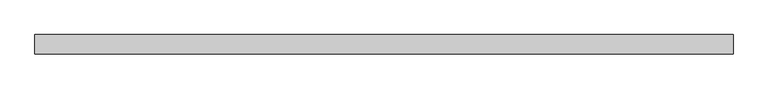
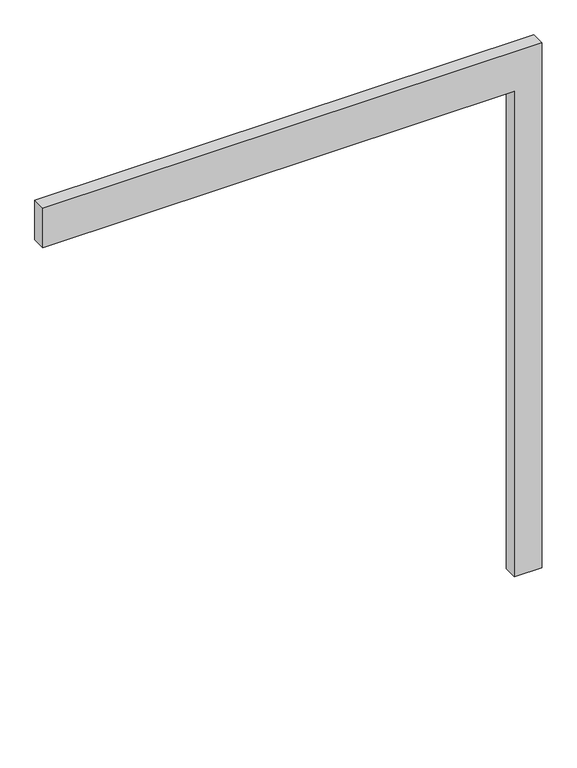
"""IFC4 building model written with IfcOpenShell, lengths in millimetres: proxy geometry."""

from ifc_helpers import new_model, si_unit, frame, origin, place, context, project, spatial, polyline, outline, extrude, source, transform, mapped, element, save


def generic_models_8b7cc6a5(model_context):
    return source(origin(), model_context, "Body", "SweptSolid", [
        extrude(outline(polyline([(1850.0, -1700.0), (1850.0, 0.0), (0.0, 0.0), (0.0, 100.0), (2000.0, 100.0), (2000.0, -1700.0), (1850.0, -1700.0)])), frame((0.0, -50.0, 0.0), z_axis=(0.0, 1.0, 0.0), x_axis=(0.0, 0.0, 1.0)), (0.0, 0.0, 1.0), 50.0),
    ])


if __name__ == "__main__":
    model = new_model("IFC4")
    model_context = context("Model", 3, world=origin())
    ifc_project = project(units=[si_unit("LENGTHUNIT", "METRE", prefix="MILLI")], contexts=[model_context])
    site = spatial("IfcSite", under=ifc_project)
    building = spatial("IfcBuilding", under=site)
    placement = place(None, origin())
    generic_models_shape = generic_models_8b7cc6a5(model_context)
    element("IfcBuildingElementProxy", 1, Name="Generic Models", at=placement, inside=building, context=model_context, shape_type="MappedRepresentation", body=[
        mapped(generic_models_shape, transform((0.0, 0.0, 0.0), x_axis=(1.0, 0.0, 0.0), y_axis=(0.0, 1.0, 0.0), z_axis=(0.0, 0.0, 1.0))),
    ])
    save(model, "model.ifc")
